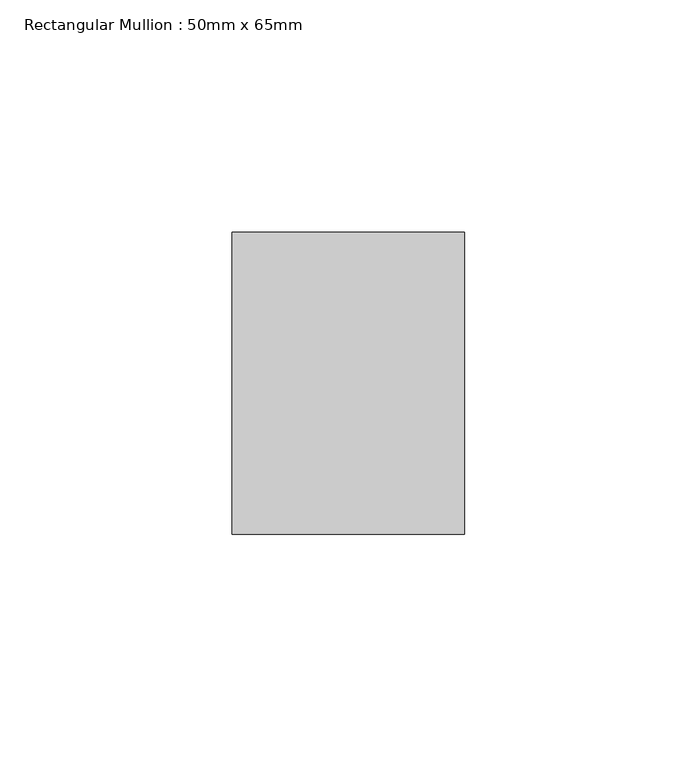
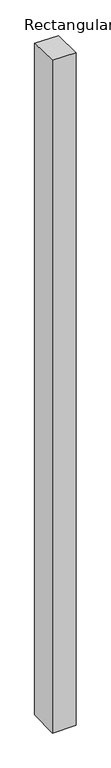
"""IFC4 building model written with IfcOpenShell, lengths in millimetres: member geometry, Rectangular Mullion : 50mm x 65mm."""

from ifc_helpers import new_model, si_unit, origin, place, context, project, spatial, faceted_brep, source, transform, mapped, element, save


def rectangular_mullion_50mm_x_65mm_1255a03c(model_context):
    return source(origin(), model_context, "Body", "Brep", [
        faceted_brep([(-25.0, 32.5, -0.7127077), (25.0, 32.5, -0.7127093), (25.0, 32.5, -1499.1015807), (-25.0, 32.5, -1499.1015827), (-25.0, -32.5, 0.7127093), (-25.0, -32.5, -1500.8975109), (25.0, -32.5, 0.7127077), (25.0, -32.5, -1500.8975089)], [[[0, 1, 2, 3]], [[4, 0, 3, 5]], [[6, 4, 5, 7]], [[1, 6, 7, 2]], [[1, 0, 4, 6]], [[2, 7, 5, 3]]]),
    ])


if __name__ == "__main__":
    model = new_model("IFC4")
    model_context = context("Model", 3, world=origin())
    ifc_project = project(units=[si_unit("LENGTHUNIT", "METRE", prefix="MILLI")], contexts=[model_context])
    site = spatial("IfcSite", under=ifc_project)
    building = spatial("IfcBuilding", under=site)
    placement = place(None, origin())
    rectangular_mullion_50mm_x_65mm_shape = rectangular_mullion_50mm_x_65mm_1255a03c(model_context)
    element("IfcMember", 1, ObjectType="Rectangular Mullion : 50mm x 65mm", at=placement, inside=building, context=model_context, shape_type="MappedRepresentation", body=[
        mapped(rectangular_mullion_50mm_x_65mm_shape, transform((0.0, 0.0, 0.0), x_axis=(1.0, 0.0, 0.0), y_axis=(0.0, 1.0, 0.0), z_axis=(0.0, 0.0, 1.0))),
    ])
    save(model, "model.ifc")
